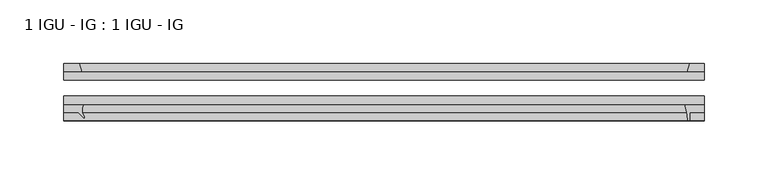
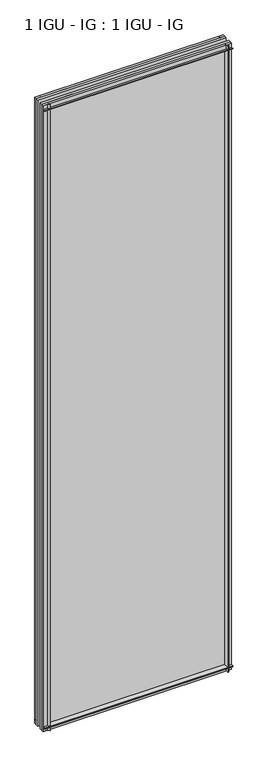
"""IFC4 building model written with IfcOpenShell, lengths in millimetres: plate geometry, 1 IGU - IG : 1 IGU - IG."""

from ifc_helpers import new_model, si_unit, point, frame, frame_2d, origin, place, context, project, spatial, polyline, circle_curve, trimmed, segment, composite_curve, outline, extrude, source, transform, mapped, element, save


def plate_1_igu_ig_1_igu_ig_fcc27d9c(model_context):
    return source(origin(), model_context, "Body", "SweptSolid", [
        extrude(outline(polyline([(250.3437625, -31.75), (250.3437625, -38.1), (-250.3437625, -38.1), (-250.3437625, -31.75), (250.3437625, -31.75)])), frame((0.0, 0.0, -11.1125), z_axis=(0.0, 0.0, 1.0), x_axis=(1.0, 0.0, 0.0)), (0.0, 0.0, 1.0), 1755.775),
        extrude(outline(polyline([(-250.3437625, -12.7), (250.3437625, -12.7), (250.3437625, -19.05), (-250.3437625, -19.05), (-250.3437625, -12.7)])), frame((0.0, 0.0, -11.1125), z_axis=(0.0, 0.0, 1.0), x_axis=(1.0, 0.0, 0.0)), (0.0, 0.0, 1.0), 1755.775),
        extrude(outline(polyline([(-236.2848226, -12.7), (-250.3437625, -12.7), (-250.3437625, -6.35), (-238.3900997, -6.35), (-236.2848226, -12.7)])), frame((0.0, 0.0, -11.1125), z_axis=(0.0, 0.0, 1.0), x_axis=(1.0, 0.0, 0.0)), (0.0, 0.0, 1.0), 1755.775),
        extrude(outline(composite_curve([segment(trimmed(circle_curve(frame_2d((-227.4926636, -42.5735189)), 8.7187667), [point((-234.9762805, -38.1))], [point((-234.4925696, -47.7714232))], True, "CARTESIAN"), True, "CONTINUOUS"), segment(trimmed(circle_curve(frame_2d((-235.1043452, -48.225708)), 0.762), [point((-234.4925696, -47.7714232))], [point((-234.7705531, -48.9107094))], False, "CARTESIAN"), True, "CONTINUOUS"), segment(polyline([(-234.7705531, -48.9107094), (-239.2312625, -44.45), (-250.3437625, -44.45), (-250.3437625, -38.1), (-234.9762805, -38.1)]), True, "CONTINUOUS")], self_intersect=False)), frame((0.0, 0.0, -11.1125), z_axis=(0.0, 0.0, 1.0), x_axis=(1.0, 0.0, 0.0)), (0.0, 0.0, 1.0), 1755.775),
        extrude(outline(polyline([(250.3437625, -12.7), (237.1259855, -12.7), (239.2312625, -6.35), (250.3437625, -6.35), (250.3437625, -12.7)])), frame((0.0, 0.0, -11.1125), z_axis=(0.0, 0.0, 1.0), x_axis=(1.0, 0.0, 0.0)), (0.0, 0.0, 1.0), 1755.775),
        extrude(outline(composite_curve([segment(polyline([(235.0500833, -38.1), (250.3437625, -38.1), (250.3437625, -44.45), (239.2312625, -44.45), (239.2312625, -50.8), (238.3113617, -50.8)]), True, "CONTINUOUS"), segment(trimmed(circle_curve(frame_2d((238.3113617, -50.038)), 0.762), [point((238.3113617, -50.8))], [point((237.5513198, -50.0925922))], False, "CARTESIAN"), True, "CONTINUOUS"), segment(trimmed(circle_curve(frame_2d((191.7910669, -53.3794536)), 45.8781451), [point((237.5513198, -50.0925922))], [point((235.0500833, -38.1))], True, "CARTESIAN"), True, "CONTINUOUS")], self_intersect=False)), frame((0.0, 0.0, -11.1125), z_axis=(0.0, 0.0, 1.0), x_axis=(1.0, 0.0, 0.0)), (0.0, 0.0, 1.0), 1755.775),
        extrude(outline(polyline([(-12.7, -11.1125), (-12.7, 2.1052771), (-6.35, 0.0), (-6.35, -11.1125), (-12.7, -11.1125)])), frame((-250.3437625, 0.0, 0.0), z_axis=(1.0, 0.0, 0.0), x_axis=(0.0, 1.0, 0.0)), (0.0, 0.0, 1.0), 500.6875251),
        extrude(outline(composite_curve([segment(polyline([(-38.1, 4.1811793), (-38.1, -11.1125), (-44.45, -11.1125), (-44.45, 0.0), (-50.8, 0.0), (-50.8, 0.9199009)]), True, "CONTINUOUS"), segment(trimmed(circle_curve(frame_2d((-50.038, 0.9199009)), 0.762), [point((-50.8, 0.9199009))], [point((-50.0925922, 1.6799428))], False, "CARTESIAN"), True, "CONTINUOUS"), segment(trimmed(circle_curve(frame_2d((-53.3794536, 47.4401956)), 45.8781451), [point((-50.0925922, 1.6799428))], [point((-38.1, 4.1811793))], True, "CARTESIAN"), True, "CONTINUOUS")], self_intersect=False)), frame((-250.3437625, 0.0, 0.0), z_axis=(1.0, 0.0, 0.0), x_axis=(0.0, 1.0, 0.0)), (0.0, 0.0, 1.0), 500.6875251),
        extrude(outline(polyline([(-6.35, 1733.55), (-12.7, 1731.4447229), (-12.7, 1744.6625), (-6.35, 1744.6625), (-6.35, 1733.55)])), frame((-250.3437625, 0.0, 0.0), z_axis=(1.0, 0.0, 0.0), x_axis=(0.0, 1.0, 0.0)), (0.0, 0.0, 1.0), 500.6875251),
        extrude(outline(composite_curve([segment(polyline([(-38.1, 1744.6625), (-38.1, 1729.3688207)]), True, "CONTINUOUS"), segment(trimmed(circle_curve(frame_2d((-53.3794536, 1686.1098044)), 45.8781451), [point((-38.1, 1729.3688207))], [point((-50.0925922, 1731.8700572))], True, "CARTESIAN"), True, "CONTINUOUS"), segment(trimmed(circle_curve(frame_2d((-50.038, 1732.6300991)), 0.762), [point((-50.0925922, 1731.8700572))], [point((-50.8, 1732.6300991))], False, "CARTESIAN"), True, "CONTINUOUS"), segment(polyline([(-50.8, 1732.6300991), (-50.8, 1733.55), (-44.45, 1733.55), (-44.45, 1744.6625), (-38.1, 1744.6625)]), True, "CONTINUOUS")], self_intersect=False)), frame((-250.3437625, 0.0, 0.0), z_axis=(1.0, 0.0, 0.0), x_axis=(0.0, 1.0, 0.0)), (0.0, 0.0, 1.0), 500.6875251),
    ])


if __name__ == "__main__":
    model = new_model("IFC4")
    model_context = context("Model", 3, world=origin())
    ifc_project = project(units=[si_unit("LENGTHUNIT", "METRE", prefix="MILLI")], contexts=[model_context])
    site = spatial("IfcSite", under=ifc_project)
    building = spatial("IfcBuilding", under=site)
    placement = place(None, origin())
    plate_1_igu_ig_1_igu_ig_shape = plate_1_igu_ig_1_igu_ig_fcc27d9c(model_context)
    element("IfcPlate", 1, ObjectType="1 IGU - IG : 1 IGU - IG", at=placement, inside=building, context=model_context, shape_type="MappedRepresentation", body=[
        mapped(plate_1_igu_ig_1_igu_ig_shape, transform((0.0, 0.0, 0.0), x_axis=(1.0, 0.0, 0.0), y_axis=(0.0, 1.0, 0.0), z_axis=(0.0, 0.0, 1.0))),
    ])
    save(model, "model.ifc")
